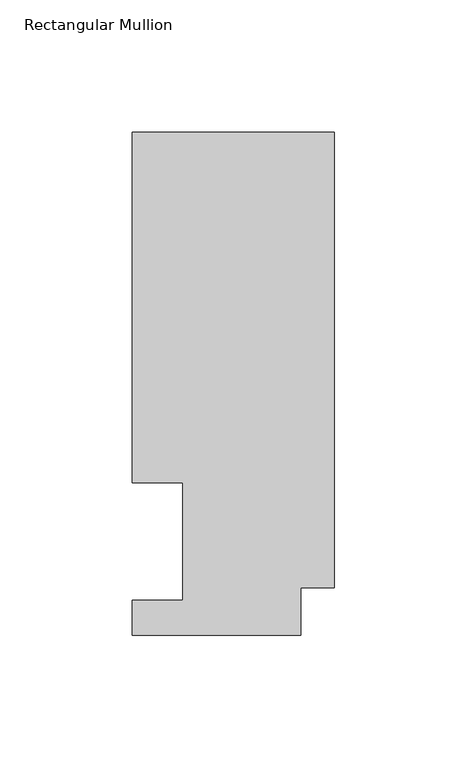
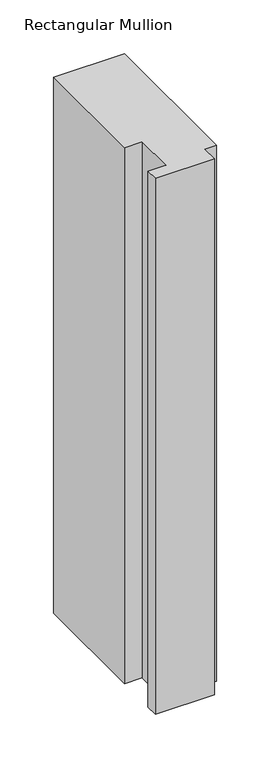
"""IFC4 building model written with IfcOpenShell, lengths in millimetres: member geometry, Rectangular Mullion."""

from ifc_helpers import new_model, si_unit, frame, origin, place, context, project, spatial, polyline, outline, extrude, source, transform, mapped, element, save


def rectangular_mullion_5177298c(model_context):
    return source(origin(), model_context, "Body", "SweptSolid", [
        extrude(outline(polyline([(0.0, 189.8022938), (0.0, 17.9712937), (-12.7, 17.9712937), (-12.7, 0.0134938), (-76.2, 0.0134938), (-76.2, 13.1960938), (-57.1627, 13.1960938), (-57.1627, 57.6460937), (-76.2, 57.6460937), (-76.2, 189.8022938), (0.0, 189.8022938)])), frame((0.0, 0.0, -609.6), z_axis=(0.0, 0.0, 1.0), x_axis=(1.0, 0.0, 0.0)), (0.0, 0.0, 1.0), 609.6),
    ])


if __name__ == "__main__":
    model = new_model("IFC4")
    model_context = context("Model", 3, world=origin())
    ifc_project = project(units=[si_unit("LENGTHUNIT", "METRE", prefix="MILLI")], contexts=[model_context])
    site = spatial("IfcSite", under=ifc_project)
    building = spatial("IfcBuilding", under=site)
    placement = place(None, origin())
    rectangular_mullion_shape = rectangular_mullion_5177298c(model_context)
    element("IfcMember", 1, ObjectType="Rectangular Mullion", at=placement, inside=building, context=model_context, shape_type="MappedRepresentation", body=[
        mapped(rectangular_mullion_shape, transform((0.0, 0.0, 0.0), x_axis=(1.0, 0.0, 0.0), y_axis=(0.0, 1.0, 0.0), z_axis=(0.0, 0.0, 1.0))),
    ])
    save(model, "model.ifc")
